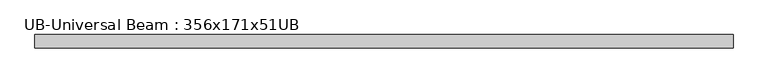
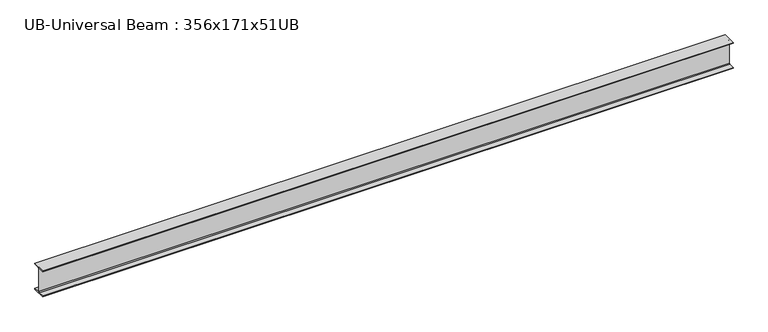
"""IFC4 building model written with IfcOpenShell, lengths in millimetres: beam geometry, UB-Universal Beam : 356x171x51UB."""

from ifc_helpers import new_model, si_unit, point, frame, frame_2d, origin, place, context, project, spatial, polyline, circle_curve, trimmed, segment, composite_curve, outline, extrude, source, transform, mapped, element, save


def ub_universal_beam_356x171x51ub_195647dd(model_context):
    return source(origin(), model_context, "Body", "SweptSolid", [
        extrude(outline(composite_curve([segment(polyline([(85.75, -166.0), (85.75, -177.5), (-85.75, -177.5), (-85.75, -166.0), (-13.9, -166.0)]), True, "CONTINUOUS"), segment(trimmed(circle_curve(frame_2d((-13.9, -155.8)), 10.2), [point((-13.9, -166.0))], [point((-3.7, -155.8))], True, "CARTESIAN"), True, "CONTINUOUS"), segment(polyline([(-3.7, -155.8), (-3.7, 155.8)]), True, "CONTINUOUS"), segment(trimmed(circle_curve(frame_2d((-13.9, 155.8)), 10.2), [point((-3.7, 155.8))], [point((-13.9, 166.0))], True, "CARTESIAN"), True, "CONTINUOUS"), segment(polyline([(-13.9, 166.0), (-85.75, 166.0), (-85.75, 177.5), (85.75, 177.5), (85.75, 166.0), (13.9, 166.0)]), True, "CONTINUOUS"), segment(trimmed(circle_curve(frame_2d((13.9, 155.8)), 10.2), [point((13.9, 166.0))], [point((3.7, 155.8))], True, "CARTESIAN"), True, "CONTINUOUS"), segment(polyline([(3.7, 155.8), (3.7, -155.8)]), True, "CONTINUOUS"), segment(trimmed(circle_curve(frame_2d((13.9, -155.8)), 10.2), [point((3.7, -155.8))], [point((13.9, -166.0))], True, "CARTESIAN"), True, "CONTINUOUS"), segment(polyline([(13.9, -166.0), (85.75, -166.0)]), True, "CONTINUOUS")], self_intersect=False)), frame((-4392.3, 0.0, 0.0), z_axis=(1.0, 0.0, 0.0), x_axis=(0.0, 1.0, 0.0)), (0.0, 0.0, 1.0), 8942.3),
    ])


if __name__ == "__main__":
    model = new_model("IFC4")
    model_context = context("Model", 3, world=origin())
    ifc_project = project(units=[si_unit("LENGTHUNIT", "METRE", prefix="MILLI")], contexts=[model_context])
    site = spatial("IfcSite", under=ifc_project)
    building = spatial("IfcBuilding", under=site)
    placement = place(None, origin())
    ub_universal_beam_356x171x51ub_shape = ub_universal_beam_356x171x51ub_195647dd(model_context)
    element("IfcBeam", 1, ObjectType="UB-Universal Beam : 356x171x51UB", at=placement, inside=building, context=model_context, shape_type="MappedRepresentation", body=[
        mapped(ub_universal_beam_356x171x51ub_shape, transform((0.0, 0.0, 0.0), x_axis=(1.0, 0.0, 0.0), y_axis=(0.0, 1.0, 0.0), z_axis=(0.0, 0.0, 1.0))),
    ])
    save(model, "model.ifc")
